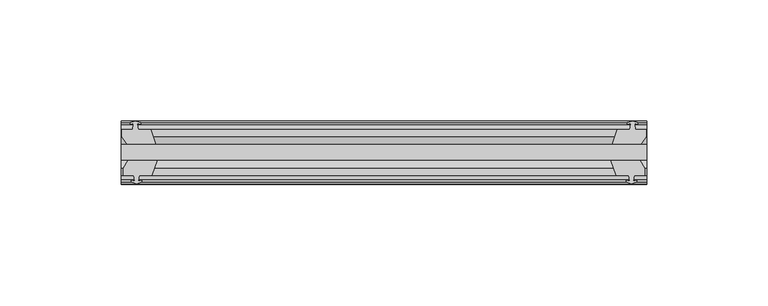
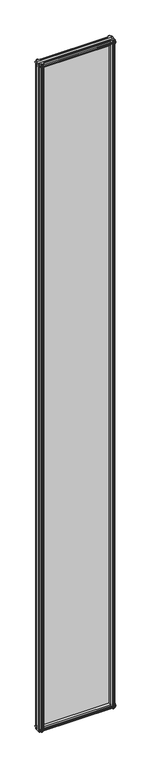
"""IFC4 building model written with IfcOpenShell, lengths in millimetres: plate geometry."""

from ifc_helpers import new_model, si_unit, frame, origin, place, context, project, spatial, polyline, outline, extrude, source, transform, mapped, element, save


def plate_4993c9b6(model_context):
    return source(origin(), model_context, "Body", "SweptSolid", [
        extrude(outline(polyline([(-108.4078558, -19.5460937), (108.4078558, -19.5460937), (108.4078558, -25.8960937), (-108.4078558, -25.8960937), (-108.4078558, -19.5460937)])), frame((0.0, 0.0, -12.7), z_axis=(0.0, 0.0, 1.0), x_axis=(1.0, 0.0, 0.0)), (0.0, 0.0, 1.0), 2019.3),
        extrude(outline(polyline([(105.4331595, -25.8960937), (107.6458558, -29.2996938), (107.6458558, -32.2460938), (103.2008558, -32.2460938), (102.8198558, -34.6262907), (104.2353848, -34.1663575), (104.2353848, -34.9675717), (102.0578558, -35.6750938), (99.8803267, -34.9675717), (99.8803267, -34.1663575), (101.2958558, -34.6262907), (100.9148558, -32.2460938), (95.7078558, -32.2460938), (93.6025787, -25.8960937), (105.4331595, -25.8960937)])), frame((0.0, 0.0, -12.7), z_axis=(0.0, 0.0, 1.0), x_axis=(1.0, 0.0, 0.0)), (0.0, 0.0, 1.0), 2019.3),
        extrude(outline(polyline([(100.4010267, -10.4746158), (102.5785558, -9.7670938), (104.7560848, -10.4746158), (104.7560848, -11.27583), (103.3405558, -10.8158968), (103.7215558, -13.1960938), (108.1665558, -13.1960938), (108.1665558, -16.1424938), (105.9538595, -19.5460937), (94.1232787, -19.5460937), (96.2285558, -13.1960938), (101.4355558, -13.1960938), (101.8165558, -10.8158968), (100.4010267, -11.27583), (100.4010267, -10.4746158)])), frame((0.0, 0.0, -12.7), z_axis=(0.0, 0.0, 1.0), x_axis=(1.0, 0.0, 0.0)), (0.0, 0.0, 1.0), 2019.3),
        extrude(outline(polyline([(-93.6025787, -25.8960937), (-95.7078558, -32.2460937), (-100.9148558, -32.2460937), (-101.2958558, -34.6262907), (-99.8803267, -34.1663575), (-99.8803267, -34.9675717), (-102.0578558, -35.6750937), (-104.2353848, -34.9675717), (-104.2353848, -34.1663575), (-102.8198558, -34.6262907), (-103.2008558, -32.2460937), (-107.6458558, -32.2460937), (-107.6458558, -29.2996937), (-105.4331595, -25.8960937), (-93.6025787, -25.8960937)])), frame((0.0, 0.0, -12.7), z_axis=(0.0, 0.0, 1.0), x_axis=(1.0, 0.0, 0.0)), (0.0, 0.0, 1.0), 2019.3),
        extrude(outline(polyline([(-103.3405558, -10.8158968), (-104.7560848, -11.27583), (-104.7560848, -10.4746158), (-102.5785558, -9.7670937), (-100.4010267, -10.4746158), (-100.4010267, -11.27583), (-101.8165558, -10.8158968), (-101.4355558, -13.1960937), (-96.2285558, -13.1960937), (-94.1232787, -19.5460937), (-105.9538595, -19.5460937), (-108.1665558, -16.1424937), (-108.1665558, -13.1960937), (-103.7215558, -13.1960937), (-103.3405558, -10.8158968)])), frame((0.0, 0.0, -12.7), z_axis=(0.0, 0.0, 1.0), x_axis=(1.0, 0.0, 0.0)), (0.0, 0.0, 1.0), 2019.3),
        extrude(outline(polyline([(-13.1960937, 2006.3587), (-13.1960937, 2001.9137), (-10.8158968, 2001.5327), (-11.27583, 2002.9482291), (-10.4746158, 2002.9482291), (-9.7670937, 2000.7707), (-10.4746158, 1998.5931709), (-11.27583, 1998.5931709), (-10.8158968, 2000.0087), (-13.1960937, 1999.6277), (-13.1960937, 1994.4207), (-19.5460937, 1992.3154229), (-19.5460937, 2004.1460038), (-16.1424937, 2006.3587), (-13.1960937, 2006.3587)])), frame((-108.4078558, 0.0, 0.0), z_axis=(1.0, 0.0, 0.0), x_axis=(0.0, 1.0, 0.0)), (0.0, 0.0, 1.0), 216.8157115),
        extrude(outline(polyline([(-29.2996937, 2005.838), (-25.8960937, 2003.6253038), (-25.8960937, 1991.7947229), (-32.2460937, 1993.9), (-32.2460937, 1999.107), (-34.6262907, 1999.488), (-34.1663575, 1998.072471), (-34.9675717, 1998.072471), (-35.6750937, 2000.25), (-34.9675717, 2002.4275291), (-34.1663575, 2002.4275291), (-34.6262907, 2001.012), (-32.2460937, 2001.393), (-32.2460937, 2005.838), (-29.2996937, 2005.838)])), frame((-108.4078558, 0.0, 0.0), z_axis=(1.0, 0.0, 0.0), x_axis=(0.0, 1.0, 0.0)), (0.0, 0.0, 1.0), 216.8157115),
        extrude(outline(polyline([(-25.8960937, 2.1052771), (-25.8960937, -9.7253038), (-29.2996937, -11.938), (-32.2460937, -11.938), (-32.2460937, -7.493), (-34.6262907, -7.112), (-34.1663575, -8.5275291), (-34.9675717, -8.5275291), (-35.6750937, -6.35), (-34.9675717, -4.1724709), (-34.1663575, -4.1724709), (-34.6262907, -5.588), (-32.2460937, -5.207), (-32.2460937, 0.0), (-25.8960937, 2.1052771)])), frame((-108.4078558, 0.0, 0.0), z_axis=(1.0, 0.0, 0.0), x_axis=(0.0, 1.0, 0.0)), (0.0, 0.0, 1.0), 216.8157115),
        extrude(outline(polyline([(-19.5460937, 1.5845771), (-13.1960937, -0.5207), (-13.1960937, -5.7277), (-10.8158968, -6.1087), (-11.27583, -4.6931709), (-10.4746158, -4.6931709), (-9.7670937, -6.8707), (-10.4746158, -9.048229), (-11.27583, -9.048229), (-10.8158968, -7.6327), (-13.1960937, -8.0137), (-13.1960937, -12.4587), (-16.1424937, -12.4587), (-19.5460937, -10.2460038), (-19.5460937, 1.5845771)])), frame((-108.4078558, 0.0, 0.0), z_axis=(1.0, 0.0, 0.0), x_axis=(0.0, 1.0, 0.0)), (0.0, 0.0, 1.0), 216.8157115),
    ])


if __name__ == "__main__":
    model = new_model("IFC4")
    model_context = context("Model", 3, world=origin())
    ifc_project = project(units=[si_unit("LENGTHUNIT", "METRE", prefix="MILLI")], contexts=[model_context])
    site = spatial("IfcSite", under=ifc_project)
    building = spatial("IfcBuilding", under=site)
    placement = place(None, origin())
    plate_shape = plate_4993c9b6(model_context)
    element("IfcPlate", 1, at=placement, inside=building, context=model_context, shape_type="MappedRepresentation", body=[
        mapped(plate_shape, transform((0.0, 0.0, 0.0), x_axis=(1.0, 0.0, 0.0), y_axis=(0.0, 1.0, 0.0), z_axis=(0.0, 0.0, 1.0))),
    ])
    save(model, "model.ifc")
